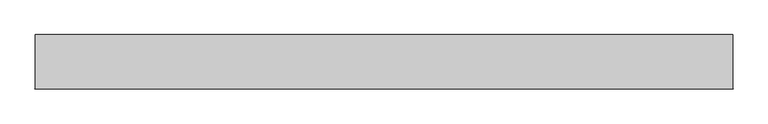
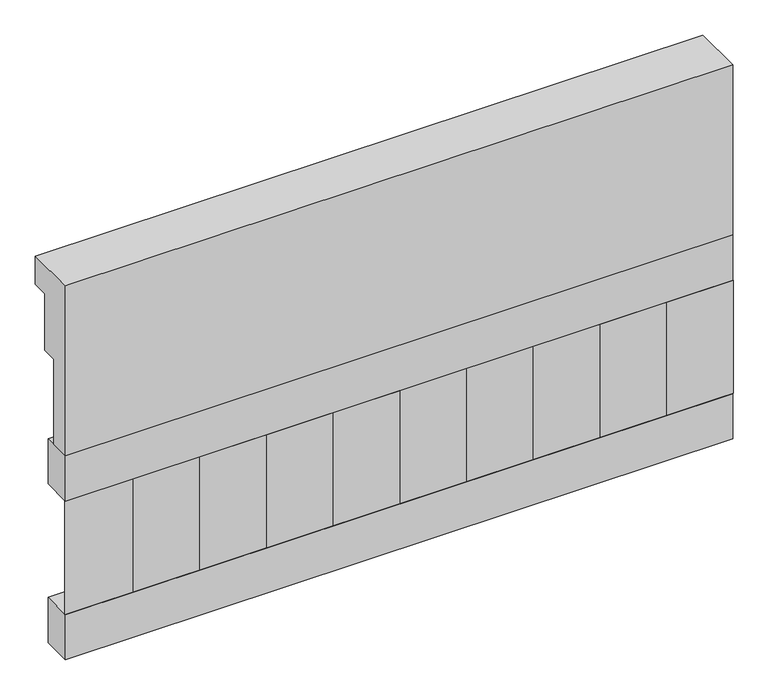
"""IFC4 building model written with IfcOpenShell, lengths in millimetres: railing geometry."""

from ifc_helpers import new_model, si_unit, frame, origin, place, context, project, spatial, polyline, outline, extrude, source, transform, mapped, element, save


def railing_dca2c706(model_context):
    return source(origin(), model_context, "Body", "SweptSolid", [
        extrude(outline(polyline([(903.1079487, 15200.0), (1033.1079487, 15200.0), (1033.1079487, 15125.0), (993.1079487, 15125.0), (993.1079487, 14975.0), (953.1079487, 14975.0), (953.1079487, 14750.0), (903.1079487, 14750.0), (903.1079487, 15200.0)])), frame((-15749.9887159, 0.0, 0.0), z_axis=(1.0, 0.0, 0.0), x_axis=(0.0, 1.0, 0.0)), (0.0, 0.0, 1.0), 1670.0),
        extrude(outline(polyline([(-14079.9887159, 978.1079487), (-14079.9887159, 903.1079487), (-15749.9887159, 903.1079487), (-15749.9887159, 978.1079487), (-14079.9887159, 978.1079487)])), frame((0.0, 0.0, 14630.0), z_axis=(0.0, 0.0, 1.0), x_axis=(1.0, 0.0, 0.0)), (0.0, 0.0, 1.0), 120.0),
        extrude(outline(polyline([(-14079.9887159, 978.1079487), (-14079.9887159, 903.1079487), (-15749.9887159, 903.1079487), (-15749.9887159, 978.1079487), (-14079.9887159, 978.1079487)])), frame((0.0, 0.0, 14210.0), z_axis=(0.0, 0.0, 1.0), x_axis=(1.0, 0.0, 0.0)), (0.0, 0.0, 1.0), 120.0),
        extrude(outline(polyline([(-15666.4887159, 987.9607624), (-15581.6359022, 903.1079487), (-15751.3415296, 903.1079487), (-15666.4887159, 987.9607624)])), frame((0.0, 0.0, 14330.0), z_axis=(0.0, 0.0, 1.0), x_axis=(1.0, 0.0, 0.0)), (0.0, 0.0, 1.0), 300.0),
        extrude(outline(polyline([(-15499.4887159, 987.9607624), (-15414.6359022, 903.1079487), (-15584.3415296, 903.1079487), (-15499.4887159, 987.9607624)])), frame((0.0, 0.0, 14330.0), z_axis=(0.0, 0.0, 1.0), x_axis=(1.0, 0.0, 0.0)), (0.0, 0.0, 1.0), 300.0),
        extrude(outline(polyline([(-15332.4887159, 987.9607624), (-15247.6359022, 903.1079487), (-15417.3415296, 903.1079487), (-15332.4887159, 987.9607624)])), frame((0.0, 0.0, 14330.0), z_axis=(0.0, 0.0, 1.0), x_axis=(1.0, 0.0, 0.0)), (0.0, 0.0, 1.0), 300.0),
        extrude(outline(polyline([(-15165.4887159, 987.9607624), (-15080.6359022, 903.1079487), (-15250.3415296, 903.1079487), (-15165.4887159, 987.9607624)])), frame((0.0, 0.0, 14330.0), z_axis=(0.0, 0.0, 1.0), x_axis=(1.0, 0.0, 0.0)), (0.0, 0.0, 1.0), 300.0),
        extrude(outline(polyline([(-14998.4887159, 987.9607624), (-14913.6359022, 903.1079487), (-15083.3415296, 903.1079487), (-14998.4887159, 987.9607624)])), frame((0.0, 0.0, 14330.0), z_axis=(0.0, 0.0, 1.0), x_axis=(1.0, 0.0, 0.0)), (0.0, 0.0, 1.0), 300.0),
        extrude(outline(polyline([(-14831.4887159, 987.9607624), (-14746.6359022, 903.1079487), (-14916.3415296, 903.1079487), (-14831.4887159, 987.9607624)])), frame((0.0, 0.0, 14330.0), z_axis=(0.0, 0.0, 1.0), x_axis=(1.0, 0.0, 0.0)), (0.0, 0.0, 1.0), 300.0),
        extrude(outline(polyline([(-14664.4887159, 987.9607624), (-14579.6359022, 903.1079487), (-14749.3415296, 903.1079487), (-14664.4887159, 987.9607624)])), frame((0.0, 0.0, 14330.0), z_axis=(0.0, 0.0, 1.0), x_axis=(1.0, 0.0, 0.0)), (0.0, 0.0, 1.0), 300.0),
        extrude(outline(polyline([(-14497.4887159, 987.9607624), (-14412.6359022, 903.1079487), (-14582.3415296, 903.1079487), (-14497.4887159, 987.9607624)])), frame((0.0, 0.0, 14330.0), z_axis=(0.0, 0.0, 1.0), x_axis=(1.0, 0.0, 0.0)), (0.0, 0.0, 1.0), 300.0),
        extrude(outline(polyline([(-14330.4887159, 987.9607624), (-14245.6359022, 903.1079487), (-14415.3415296, 903.1079487), (-14330.4887159, 987.9607624)])), frame((0.0, 0.0, 14330.0), z_axis=(0.0, 0.0, 1.0), x_axis=(1.0, 0.0, 0.0)), (0.0, 0.0, 1.0), 300.0),
        extrude(outline(polyline([(-14163.4887159, 987.9607624), (-14078.6359022, 903.1079487), (-14248.3415296, 903.1079487), (-14163.4887159, 987.9607624)])), frame((0.0, 0.0, 14330.0), z_axis=(0.0, 0.0, 1.0), x_axis=(1.0, 0.0, 0.0)), (0.0, 0.0, 1.0), 300.0),
    ])


if __name__ == "__main__":
    model = new_model("IFC4")
    model_context = context("Model", 3, world=origin())
    ifc_project = project(units=[si_unit("LENGTHUNIT", "METRE", prefix="MILLI")], contexts=[model_context])
    site = spatial("IfcSite", under=ifc_project)
    building = spatial("IfcBuilding", under=site)
    placement = place(None, origin())
    railing_shape = railing_dca2c706(model_context)
    element("IfcRailing", 1, at=placement, inside=building, context=model_context, shape_type="MappedRepresentation", body=[
        mapped(railing_shape, transform((0.0, 0.0, 0.0), x_axis=(1.0, 0.0, 0.0), y_axis=(0.0, 1.0, 0.0), z_axis=(0.0, 0.0, 1.0))),
    ])
    save(model, "model.ifc")
